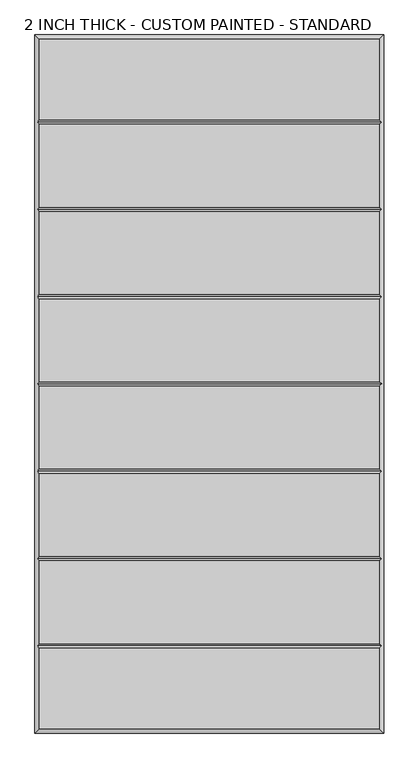
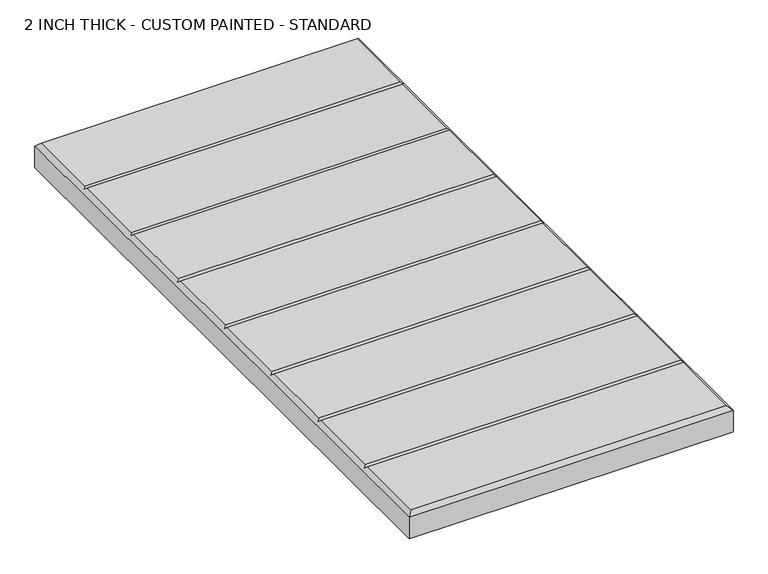
"""IFC4 building model written with IfcOpenShell, lengths in millimetres: proxy geometry, 2 INCH THICK - CUSTOM PAINTED - STANDARD."""

import ifcopenshell
import ifcopenshell.guid

model = None  # the IFC model being written
_history = None  # IfcOwnerHistory: only IFC2X3 demands one
_inside = {}  # id of a spatial element -> (the spatial element, [elements in it])
_under = {}  # id of a project, library or spatial element -> (it, [spatial elements below it])
_declared = {}  # id of a project -> (the project, [libraries it declares])
_typed = {}  # id of a type object -> (the type object, [elements of that type])
_made_of = {}  # id of a material, layer set ... -> (it, [elements and type objects made of it])


def new_model(schema):
    """Start an empty IFC model of exactly this schema.

    Asked for "IFC4X3", IfcOpenShell would pick the latest addendum, in which some entities
    have other attributes; the version numbers below select the first issue.
    IFC2X3 requires an IfcOwnerHistory on every rooted entity: one is made here for all.
    """
    global model, _history
    if schema == "IFC4X3":
        model = ifcopenshell.file(schema_version=(4, 3, 0, 0))
    else:
        model = ifcopenshell.file(schema=schema)
    _inside.clear()
    _under.clear()
    _declared.clear()
    _typed.clear()
    _made_of.clear()
    _history = None
    if model.schema == "IFC2X3":
        org = make("IfcOrganization", Name="unknown")
        user = make(
            "IfcPersonAndOrganization",
            ThePerson=make("IfcPerson", FamilyName="unknown"),
            TheOrganization=org,
        )
        app = make(
            "IfcApplication",
            ApplicationDeveloper=org,
            Version="unknown",
            ApplicationFullName="unknown",
            ApplicationIdentifier="unknown",
        )
        _history = make(
            "IfcOwnerHistory",
            OwningUser=user,
            OwningApplication=app,
            ChangeAction="ADDED",
            CreationDate=0,
        )
    return model


def make(cls, **values):
    """One entity of the class cls with the attributes given. An attribute that is None is left unset."""
    return model.create_entity(
        cls, **{name: value for name, value in values.items() if value is not None}
    )


def rooted(cls, **values):
    """An entity with a GlobalId (a new one), such as an element, a storey or a relation."""
    return make(cls, GlobalId=ifcopenshell.guid.new(), OwnerHistory=_history, **values)


def si_unit(unit_type, name, prefix=None):
    """IfcSIUnit, for example si_unit("LENGTHUNIT", "METRE", prefix="MILLI")."""
    return make("IfcSIUnit", UnitType=unit_type, Prefix=prefix, Name=name)


def assignment(units):
    """IfcUnitAssignment: the units of a project."""
    return None if units is None else make("IfcUnitAssignment", Units=units)


def point(xyz):
    """IfcCartesianPoint."""
    return None if xyz is None else make("IfcCartesianPoint", Coordinates=xyz)


def direction(xyz):
    """IfcDirection."""
    return None if xyz is None else make("IfcDirection", DirectionRatios=xyz)


def frame(location, z_axis=None, x_axis=None):
    """IfcAxis2Placement3D, a coordinate frame: its origin and axes. An axis left out is left unset."""
    return make(
        "IfcAxis2Placement3D",
        Location=point(location),
        Axis=direction(z_axis),
        RefDirection=direction(x_axis),
    )


def origin():
    """The frame at (0, 0, 0) with its axes left unset."""
    return frame((0.0, 0.0, 0.0))


def place(relative_to, where):
    """IfcLocalPlacement: puts the frame where relative to a parent placement (None: the world)."""
    return make(
        "IfcLocalPlacement", PlacementRelTo=relative_to, RelativePlacement=where
    )


def context(
    kind, dimensions, precision=None, world=None, true_north=None, identifier=None
):
    """IfcGeometricRepresentationContext, for example the 3D "Model" context."""
    return make(
        "IfcGeometricRepresentationContext",
        ContextIdentifier=identifier,
        ContextType=kind,
        CoordinateSpaceDimension=dimensions,
        Precision=precision,
        WorldCoordinateSystem=world,
        TrueNorth=true_north,
    )


def project(units=None, contexts=None):
    """IfcProject with its units and contexts."""
    return rooted(
        "IfcProject",
        Name="project",
        RepresentationContexts=contexts,
        UnitsInContext=assignment(units),
    )


def spatial(cls, under=None, at=None, **own):
    """A site, building, storey or space (cls), placed at a placement, below another one or the project."""
    s = rooted(cls, ObjectPlacement=at, **own)
    if under is not None:
        _under.setdefault(under.id(), (under, []))[1].append(s)
    return s


def faces_of(points, faces, orient=None, outer=None):
    """IfcFace entities. A face is a list of loops; a loop is a list of indices into points, from 0.

    orient and outer hold one flag for each loop. By default every Orientation is true, the
    first loop of a face is its IfcFaceOuterBound and the others are IfcFaceBound.
    """
    made = []
    for i, loops in enumerate(faces):
        bounds = []
        for j, loop in enumerate(loops):
            is_outer = j == 0 if outer is None else outer[i][j]
            bounds.append(
                make(
                    "IfcFaceOuterBound" if is_outer else "IfcFaceBound",
                    Bound=make("IfcPolyLoop", Polygon=[points[k] for k in loop]),
                    Orientation=True if orient is None else orient[i][j],
                )
            )
        made.append(make("IfcFace", Bounds=bounds))
    return made


def faceted_brep(points, faces, orient=None, outer=None, voids=None):
    """IfcFacetedBrep: a solid bounded by flat faces; with voids (closed shells), ...WithVoids."""
    shared = [point(p) for p in points]
    hull = make("IfcClosedShell", CfsFaces=faces_of(shared, faces, orient, outer))
    if voids is None:
        return make("IfcFacetedBrep", Outer=hull)
    return make(
        "IfcFacetedBrepWithVoids",
        Outer=hull,
        Voids=[
            make(cls, CfsFaces=faces_of(shared, fs, o, b)) for cls, fs, o, b in voids
        ],
    )


def shape(context_of_items, identifier, shape_type, items):
    """IfcShapeRepresentation: the items that make up one representation, for example the "Body"."""
    return make(
        "IfcShapeRepresentation",
        ContextOfItems=context_of_items,
        RepresentationIdentifier=identifier,
        RepresentationType=shape_type,
        Items=items,
    )


def source(mapping_origin, context_of_items, identifier, shape_type, items):
    """IfcRepresentationMap: a shape defined once, which mapped items show again and again."""
    return make(
        "IfcRepresentationMap",
        MappingOrigin=mapping_origin,
        MappedRepresentation=shape(context_of_items, identifier, shape_type, items),
    )


def transform(
    local_origin,
    x_axis=None,
    y_axis=None,
    z_axis=None,
    scale=None,
    scale2=None,
    scale3=None,
    uniform=True,
):
    """IfcCartesianTransformationOperator3D, or its non-uniform kind. x_axis, y_axis, z_axis: its Axis1, 2, 3."""
    if uniform:
        return make(
            "IfcCartesianTransformationOperator3D",
            Axis1=direction(x_axis),
            Axis2=direction(y_axis),
            LocalOrigin=point(local_origin),
            Scale=scale,
            Axis3=direction(z_axis),
        )
    return make(
        "IfcCartesianTransformationOperator3DnonUniform",
        Axis1=direction(x_axis),
        Axis2=direction(y_axis),
        LocalOrigin=point(local_origin),
        Scale=scale,
        Axis3=direction(z_axis),
        Scale2=scale2,
        Scale3=scale3,
    )


def mapped(mapping_source, mapping_target):
    """IfcMappedItem: shows the shape of a source again, moved by a transform."""
    return make(
        "IfcMappedItem", MappingSource=mapping_source, MappingTarget=mapping_target
    )


def made_of(thing, what):
    """Note that an element or type object is made of a material, layer set ...; save() writes the relation."""
    if what is not None:
        _made_of.setdefault(what.id(), (what, []))[1].append(thing)
    return thing


def element(
    cls,
    number,
    at=None,
    inside=None,
    cuts=None,
    type_object=None,
    material=None,
    context=None,
    identifier="Body",
    shape_type=None,
    held_by="IfcProductDefinitionShape",
    body=None,
    shapes=None,
    **own,
):
    """One element of the class cls, such as IfcWall. Its Tag is "e" and its number.

    at: its placement. inside: the storey or other place that contains it. cuts: it is an
    opening in that element (IfcRelVoidsElement). A single representation is given by context,
    identifier, shape_type and body (its items); several are given by shapes. held_by: the class
    of the entity that holds the representations. save() writes the other relations.
    """
    e = rooted(cls, Tag="e%d" % number, ObjectPlacement=at, **own)
    if body is not None:
        shapes = [shape(context, identifier, shape_type, body)]
    if shapes is not None:
        e.Representation = make(held_by, Representations=shapes)
    if inside is not None:
        _inside.setdefault(inside.id(), (inside, []))[1].append(e)
    if cuts is not None:
        rooted(
            "IfcRelVoidsElement", RelatingBuildingElement=cuts, RelatedOpeningElement=e
        )
    if type_object is not None:
        _typed.setdefault(type_object.id(), (type_object, []))[1].append(e)
    return made_of(e, material)


def aggregate(whole, parts):
    """IfcRelAggregates: a whole, such as a stair, and the parts it consists of."""
    return rooted("IfcRelAggregates", RelatingObject=whole, RelatedObjects=parts)


def save(model, path):
    """Write the relations noted so far, then the file.

    IfcRelAggregates (storeys below a building ...), IfcRelContainedInSpatialStructure (elements
    in a storey), IfcRelDefinesByType, IfcRelAssociatesMaterial and IfcRelDeclares: one each for
    every whole, place, type object, material and project.
    """
    for whole, parts in _under.values():
        aggregate(whole, parts)
    for where, things in _inside.values():
        rooted(
            "IfcRelContainedInSpatialStructure",
            RelatedElements=things,
            RelatingStructure=where,
        )
    for kind, things in _typed.values():
        rooted("IfcRelDefinesByType", RelatedObjects=things, RelatingType=kind)
    for what, things in _made_of.values():
        rooted("IfcRelAssociatesMaterial", RelatedObjects=things, RelatingMaterial=what)
    for by, libraries in _declared.values():
        rooted("IfcRelDeclares", RelatingContext=by, RelatedDefinitions=libraries)
    model.write(path)


def proxy_2_inch_thick_custom_painted_standard_21dca59b(model_context):
    return source(origin(), model_context, "Body", "Brep", [
        faceted_brep([(296.799, 601.599, 50.8), (-296.799, 601.599, 50.8), (-296.799, 461.2005254, 50.8), (296.799, 461.2005254, 50.8), (-296.799, -601.599, 50.8), (296.799, -601.599, 50.8), (296.799, -461.2004746, 50.8), (-296.799, -461.2004746, 50.8), (296.799, 453.1995254, 50.8), (-296.799, 453.1995254, 50.8), (-296.799, 308.8005254, 50.8), (296.799, 308.8005254, 50.8), (296.799, -308.8005, 50.8), (-296.799, -308.8005, 50.8), (-296.799, -453.1994746, 50.8), (296.799, -453.1994746, 50.8), (-296.799, -300.7995, 50.8), (296.799, -300.7995, 50.8), (296.799, -156.4004746, 50.8), (-296.799, -156.4004746, 50.8), (296.799, 300.7995254, 50.8), (-296.799, 300.7995254, 50.8), (-296.799, 156.4005254, 50.8), (296.799, 156.4005254, 50.8), (296.799, 148.3995254, 50.8), (-296.799, 148.3995254, 50.8), (-296.799, 4.0005254, 50.8), (296.799, 4.0005254, 50.8), (296.799, -4.0004746, 50.8), (-296.799, -4.0004746, 50.8), (-296.799, -148.3994746, 50.8), (296.799, -148.3994746, 50.8), (-304.8, 609.6, 0.0), (304.8, 609.6, 0.0), (304.8, -609.6, 0.0), (-304.8, -609.6, 0.0), (-304.8, -609.6, 42.799), (-304.8, 609.6, 42.799), (304.8, -609.6, 42.799), (304.8, 609.6, 42.799), (-300.7995, -457.1999746, 46.7995), (-300.7995, -304.8, 46.7995), (-300.7995, -152.3999746, 46.7995), (-300.7995, 2.54e-05, 46.7995), (-300.7995, 152.4000254, 46.7995), (-300.7995, 304.8000254, 46.7995), (-300.7995, 457.2000254, 46.7995), (300.7995, 457.2000254, 46.7995), (300.7995, 304.8000254, 46.7995), (300.7995, 152.4000254, 46.7995), (300.7995, 2.54e-05, 46.7995), (300.7995, -152.3999746, 46.7995), (300.7995, -304.8, 46.7995), (300.7995, -457.1999746, 46.7995)], [[[0, 1, 2, 3]], [[4, 5, 6, 7]], [[8, 9, 10, 11]], [[12, 13, 14, 15]], [[16, 17, 18, 19]], [[20, 21, 22, 23]], [[24, 25, 26, 27]], [[28, 29, 30, 31]], [[32, 33, 34, 35]], [[32, 35, 36, 37]], [[35, 34, 38, 36]], [[34, 33, 39, 38]], [[33, 32, 37, 39]], [[37, 1, 0, 39]], [[1, 37, 36, 4, 7, 40, 14, 13, 41, 16, 19, 42, 30, 29, 43, 26, 25, 44, 22, 21, 45, 10, 9, 46, 2]], [[4, 36, 38, 5]], [[39, 0, 3, 47, 8, 11, 48, 20, 23, 49, 24, 27, 50, 28, 31, 51, 18, 17, 52, 12, 15, 53, 6, 5, 38]], [[47, 46, 9, 8]], [[46, 47, 3, 2]], [[52, 41, 13, 12]], [[41, 52, 17, 16]], [[53, 40, 7, 6]], [[40, 53, 15, 14]], [[48, 45, 21, 20]], [[45, 48, 11, 10]], [[49, 44, 25, 24]], [[44, 49, 23, 22]], [[50, 43, 29, 28]], [[43, 50, 27, 26]], [[51, 42, 19, 18]], [[42, 51, 31, 30]]]),
    ])


if __name__ == "__main__":
    model = new_model("IFC4")
    model_context = context("Model", 3, world=origin())
    ifc_project = project(units=[si_unit("LENGTHUNIT", "METRE", prefix="MILLI")], contexts=[model_context])
    site = spatial("IfcSite", under=ifc_project)
    building = spatial("IfcBuilding", under=site)
    placement = place(None, origin())
    proxy_2_inch_thick_custom_painted_standard_shape = proxy_2_inch_thick_custom_painted_standard_21dca59b(model_context)
    element("IfcBuildingElementProxy", 1, Name="2 INCH THICK - CUSTOM PAINTED - STANDARD", ObjectType="2 INCH THICK - CUSTOM PAINTED - STANDARD", at=placement, inside=building, context=model_context, shape_type="MappedRepresentation", body=[
        mapped(proxy_2_inch_thick_custom_painted_standard_shape, transform((0.0, 0.0, 0.0), x_axis=(1.0, 0.0, 0.0), y_axis=(0.0, 1.0, 0.0), z_axis=(0.0, 0.0, 1.0))),
    ])
    save(model, "model.ifc")
